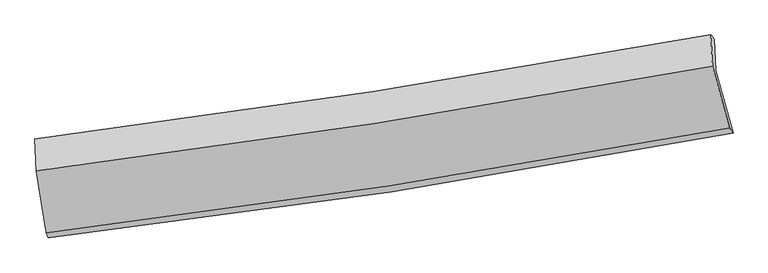
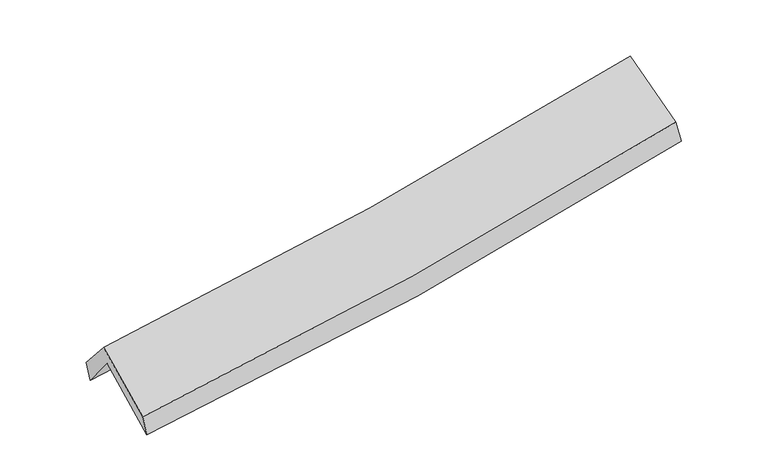
"""IFC4 building model written with IfcOpenShell, lengths in millimetres: proxy geometry."""

from ifc_helpers import new_model, si_unit, frame, origin, place, context, project, spatial, source, transform, mapped, element, save
from ifc_brep_helpers import plane_surface, spline_curve, spline_surface, advanced_brep


def generic_models_4786aa7d(model_context):
    return source(origin(), model_context, "Body", "AdvancedBrep", [
        advanced_brep(
        [(-2709.1787782, -2508.9482297, 1471.5587094), (-2791.9401679, -2003.5852794, 1913.5400523), (2727.905879, -1145.7133957, 2382.6132877), (2869.9495808, -1651.7817177, 1957.0082117), (-2804.113243, -1737.3698312, 1587.8350279), (2715.3109723, -889.2595015, 2076.4796922), (-2817.3176619, -1702.1259088, 1750.7671045), (2689.2155093, -852.0589678, 2245.311841), (-2804.6567767, -1962.5371417, 2055.9831814), (2702.3073054, -1106.3038967, 2543.48932), (-2723.1897246, -2466.5647665, 1634.2884592), (2842.6016439, -1613.9529989, 2135.8244785)],
        [
            (0, 1),
            (1, 2, spline_curve(3, [(-2791.9401679, -2003.5852794, 1913.5400523), (-1867.501013176, -1886.846675443, 1958.600728051), (-946.395349762, -1757.191648192, 2020.086547271), (893.585639421, -1471.359535323, 2176.285105649), (1812.42865856, -1315.057268082, 2271.15703143), (2727.905879, -1145.7133957, 2382.6132877)], [4, 2, 4], [0.0, 9.225516865472937, 18.49563124437283])),
            (2, 3),
            (3, 0, spline_curve(3, [(2869.9495808, -1651.7817177, 1957.0082117), (1946.188973951, -1830.275947561, 1845.868414886), (1018.250202462, -1991.083296998, 1749.783059211), (-841.499355125, -2276.63569797, 1588.111060319), (-1773.270036843, -2401.550519075, 1522.379915353), (-2709.1787782, -2508.9482297, 1471.5587094)], [4, 2, 4], [0.0, 9.270114378899894, 18.49563124437283])),
            (1, 4),
            (4, 5, spline_curve(3, [(-2804.113243, -1737.3698312, 1587.8350279), (-1879.848728349, -1623.34996921, 1640.139596196), (-958.865578918, -1495.867135207, 1706.879191699), (880.974294512, -1213.294170715, 1869.620847237), (1799.799217229, -1058.073561388, 1965.762806477), (2715.3109723, -889.2595015, 2076.4796922)], [4, 2, 4], [0.0, 9.176096883333706, 18.39655237658911])),
            (5, 2),
            (4, 6),
            (6, 7, spline_curve(3, [(-2817.3176619, -1702.1259088, 1750.7671045), (-1895.582444575, -1586.473245742, 1806.408759927), (-976.936072844, -1458.009776984, 1875.310226869), (858.604920181, -1174.778287874, 2040.029962704), (1775.469605578, -1019.886109518, 2135.976741541), (2689.2155093, -852.0589678, 2245.311841)], [4, 2, 4], [0.0, 9.16590461365675, 18.37611856629565])),
            (7, 5),
            (6, 8),
            (8, 9, spline_curve(3, [(-2804.6567767, -1962.5371417, 2055.9831814), (-1882.725135644, -1848.159184507, 2113.144972679), (-963.944578818, -1719.823222319, 2182.224615235), (871.740654554, -1434.547416789, 2344.611157836), (1788.614791813, -1277.472297495, 2438.033561224), (2702.3073054, -1106.3038967, 2543.48932)], [4, 2, 4], [0.0, 9.156599581958684, 18.357463520999627])),
            (9, 7),
            (8, 10),
            (10, 11, spline_curve(3, [(-2723.1897246, -2466.5647665, 1634.2884592), (-1790.328617239, -2353.569721062, 1686.675183773), (-861.191489263, -2226.227218268, 1754.525061514), (994.108391937, -1942.162346298, 1921.553870803), (1920.235053488, -1785.30092693, 2020.882666267), (2842.6016439, -1613.9529989, 2135.8244785)], [4, 2, 4], [0.0, 9.205495276221553, 18.455491278545466])),
            (11, 9),
            (10, 0),
            (3, 11),
        ],
        [
            spline_surface(3, 3, [[(-2709.1787782, -2508.9482297, 1471.5587094), (-1773.270036853, -2401.550519072, 1522.379915494), (-841.499355182, -2276.635697829, 1588.111060455), (1018.250202519, -1991.08329714, 1749.783059075), (1946.188973819, -1830.275947693, 1845.868414913), (2869.9495808, -1651.7817177, 1957.0082117)], [(-2736.765908078, -2340.49391293, 1618.885823681), (-1804.680362233, -2229.982571233, 1667.786853032), (-876.464686768, -2103.487681309, 1732.1028894), (976.695348155, -1817.842043216, 1891.950407864), (1901.602202083, -1658.536387819, 1987.631287091), (2822.601680189, -1483.092277036, 2098.876570368)], [(-2764.353038022, -2172.03959617, 1766.212938019), (-1836.090687678, -2058.414623403, 1813.193790628), (-911.430018268, -1930.339664728, 1876.094718438), (935.140493877, -1644.600789231, 2034.117756747), (1857.015430381, -1486.796827935, 2129.394159266), (2775.253779611, -1314.402836364, 2240.744929032)], [(-2791.9401679, -2003.5852794, 1913.5400523), (-1867.501013058, -1886.846675564, 1958.600728166), (-946.395349853, -1757.191648208, 2020.086547383), (893.585639513, -1471.359535306, 2176.285105536), (1812.428658644, -1315.057268061, 2271.157031444), (2727.905879, -1145.7133957, 2382.6132877)]], [4, 4], [4, 2, 4], [0.0, 2.24297209720393], [0.0, 9.225516865472937, 18.49563124437283]),
            spline_surface(3, 3, [[(-2791.9401679, -2003.5852794, 1913.5400523), (-1867.501013058, -1886.846675564, 1958.600728166), (-946.395349853, -1757.191648208, 2020.086547383), (893.585639513, -1471.359535306, 2176.285105536), (1812.428658644, -1315.057268061, 2271.157031444), (2727.905879, -1145.7133957, 2382.6132877)], [(-2795.997859606, -1914.846796679, 1804.97171085), (-1871.616918121, -1799.014440133, 1852.447017566), (-950.552092882, -1670.083477227, 1915.684095554), (889.381857911, -1385.33774708, 2074.063686095), (1808.218844832, -1229.396032485, 2169.358956439), (2723.707576765, -1060.22876428, 2280.568755874)], [(-2800.055551294, -1826.108313921, 1696.40336935), (-1875.732823167, -1711.182204664, 1746.293306916), (-954.708835997, -1582.97530626, 1811.281643639), (885.178076223, -1299.315958869, 1971.842266567), (1804.009031026, -1143.73479697, 2067.560881414), (2719.509274535, -974.74413292, 2178.524224026)], [(-2804.113243, -1737.3698312, 1587.8350279), (-1879.84872823, -1623.349969234, 1640.139596316), (-958.865579026, -1495.867135279, 1706.87919181), (880.974294621, -1213.294170643, 1869.620847126), (1799.799217213, -1058.073561395, 1965.76280641), (2715.3109723, -889.2595015, 2076.4796922)]], [4, 4], [4, 2, 4], [0.0, 1.3272005556413586], [0.0, 9.176096883333706, 18.39655237658911]),
            spline_surface(3, 3, [[(-2804.113243, -1737.3698312, 1587.8350279), (-1879.84872823, -1623.349969234, 1640.139596316), (-958.865579026, -1495.867135279, 1706.87919181), (880.974294621, -1213.294170643, 1869.620847126), (1799.799217213, -1058.073561395, 1965.76280641), (2715.3109723, -889.2595015, 2076.4796922)], [(-2808.514715981, -1725.621857052, 1642.145720086), (-1885.093300382, -1611.057728016, 1695.562650883), (-964.889077003, -1483.248015823, 1763.022870144), (873.517836469, -1200.455543081, 1926.423885643), (1791.689346657, -1045.344410826, 2022.500784744), (2706.612484634, -876.859323614, 2132.757075137)], [(-2812.916188919, -1713.873882948, 1696.456412314), (-1890.337872492, -1598.765486844, 1750.985705493), (-970.912574915, -1470.628896361, 1819.16654852), (866.061378382, -1187.616915514, 1983.226924202), (1783.5794761, -1032.615260215, 2079.238763067), (2697.913996966, -864.459145686, 2189.034458063)], [(-2817.3176619, -1702.1259088, 1750.7671045), (-1895.582444645, -1586.473245627, 1806.408760061), (-976.936072892, -1458.009776905, 1875.310226854), (858.60492023, -1174.778287953, 2040.029962719), (1775.469605544, -1019.886109646, 2135.976741402), (2689.2155093, -852.0589678, 2245.311841)]], [4, 4], [4, 2, 4], [0.0, 0.5736534659785771], [0.0, 9.16590461365675, 18.37611856629565]),
            spline_surface(3, 3, [[(-2817.3176619, -1702.1259088, 1750.7671045), (-1895.582444645, -1586.473245627, 1806.408760061), (-976.936072892, -1458.009776905, 1875.310226854), (858.60492023, -1174.778287953, 2040.029962719), (1775.469605544, -1019.886109646, 2135.976741402), (2689.2155093, -852.0589678, 2245.311841)], [(-2813.097366835, -1788.929653124, 1852.505796815), (-1891.296674953, -1673.701891982, 1908.654164251), (-972.605574857, -1545.280925355, 1977.615023016), (862.98349832, -1261.367997597, 2141.557027713), (1779.85133428, -1105.748172301, 2236.662347981), (2693.579441332, -936.807277434, 2344.704333986)], [(-2808.877071765, -1875.733397376, 1954.244489085), (-1887.010905256, -1760.930538266, 2010.899568398), (-968.275076811, -1632.552073788, 2079.919819193), (867.36207642, -1347.957707226, 2243.084092722), (1784.23306302, -1191.610234952, 2337.347954603), (2697.943373368, -1021.555587066, 2444.096827014)], [(-2804.6567767, -1962.5371417, 2055.9831814), (-1882.725135564, -1848.159184621, 2113.144972589), (-963.944578775, -1719.823222237, 2182.224615355), (871.740654511, -1434.547416871, 2344.611157715), (1788.614791756, -1277.472297607, 2438.033561183), (2702.3073054, -1106.3038967, 2543.48932)]], [4, 4], [4, 2, 4], [0.0, 1.3191197637058858], [0.0, 9.156599581958684, 18.357463520999627]),
            spline_surface(3, 3, [[(-2804.6567767, -1962.5371417, 2055.9831814), (-1882.725135564, -1848.159184621, 2113.144972589), (-963.944578775, -1719.823222237, 2182.224615355), (871.740654511, -1434.547416871, 2344.611157715), (1788.614791756, -1277.472297607, 2438.033561183), (2702.3073054, -1106.3038967, 2543.48932)], [(-2777.501092651, -2130.546349974, 1915.418274004), (-1851.926296073, -2016.629363482, 1970.988376294), (-929.693548894, -1888.6245542, 2039.658097393), (912.529900314, -1603.752393356, 2203.5920621), (1832.488212319, -1446.748507363, 2298.983262872), (2749.072084903, -1275.520264096, 2407.60103952)], [(-2750.345408649, -2298.555558226, 1774.853366596), (-1821.127456628, -2185.099542321, 1828.831779986), (-895.44251907, -2057.425886221, 1897.091579421), (953.319146058, -1772.957369898, 2062.572966475), (1876.361632873, -1616.024717131, 2159.932964502), (2795.836864397, -1444.736631504, 2271.71275898)], [(-2723.1897246, -2466.5647665, 1634.2884592), (-1790.328617137, -2353.569721182, 1686.67518369), (-861.191489188, -2226.227218184, 1754.525061459), (994.108391861, -1942.162346383, 1921.553870859), (1920.235053437, -1785.300926888, 2020.882666192), (2842.6016439, -1613.9529989, 2135.8244785)]], [4, 4], [4, 2, 4], [0.0, 2.2025147592464647], [0.0, 9.205495276221553, 18.455491278545466]),
            spline_surface(3, 3, [[(-2723.1897246, -2466.5647665, 1634.2884592), (-1790.328617137, -2353.569721182, 1686.67518369), (-861.191489188, -2226.227218184, 1754.525061459), (994.108391861, -1942.162346383, 1921.553870859), (1920.235053437, -1785.300926888, 2020.882666192), (2842.6016439, -1613.9529989, 2135.8244785)], [(-2718.519409149, -2480.692587541, 1580.045209265), (-1784.642423725, -2369.563320453, 1631.91009429), (-854.627444513, -2243.030044729, 1699.053727809), (1002.155662087, -1958.469329965, 1864.296933616), (1928.886360242, -1800.292600495, 1962.544582415), (2851.717622878, -1626.562571839, 2076.219056216)], [(-2713.849093651, -2494.820408659, 1525.801959335), (-1778.956230265, -2385.556919802, 1577.145004895), (-848.063399857, -2259.832871284, 1643.582394105), (1010.202932294, -1974.776313557, 1807.039996318), (1937.537667014, -1815.284274085, 1904.20649869), (2860.833601822, -1639.172144761, 2016.613633984)], [(-2709.1787782, -2508.9482297, 1471.5587094), (-1773.270036853, -2401.550519072, 1522.379915494), (-841.499355182, -2276.635697829, 1588.111060455), (1018.250202519, -1991.08329714, 1749.783059075), (1946.188973819, -1830.275947693, 1845.868414913), (2869.9495808, -1651.7817177, 1957.0082117)]], [4, 4], [4, 2, 4], [0.0, 0.5826947096087373], [0.0, 9.26420855644454, 18.573201667674564]),
            plane_surface(frame((2757.8818151, -1209.8450797, 2223.4544719), z_axis=(0.9772200471451195, 0.18075379301435332, 0.11121621180661918), x_axis=(0.2106462865623126, -0.7622146366612133, -0.6120923048176008))),
            plane_surface(frame((-2775.0660587, -2063.5218595, 1735.6620891), z_axis=(-0.9919534040210972, -0.11363886215686915, -0.055809078640040054), x_axis=(-0.08303209684287488, 0.2511741695424398, 0.9643739977044908))),
        ],
        [
            (0, [[1, 2, 3, 4]]),
            (1, [[5, 6, 7, -2]]),
            (2, [[8, 9, 10, -6]]),
            (3, [[11, 12, 13, -9]]),
            (4, [[14, 15, 16, -12]]),
            (5, [[17, -4, 18, -15]]),
            (6, [[-16, -18, -3, -7, -10, -13]]),
            (7, [[-17, -14, -11, -8, -5, -1]]),
        ],
    ),
    ])


if __name__ == "__main__":
    model = new_model("IFC4")
    model_context = context("Model", 3, world=origin())
    ifc_project = project(units=[si_unit("LENGTHUNIT", "METRE", prefix="MILLI")], contexts=[model_context])
    site = spatial("IfcSite", under=ifc_project)
    building = spatial("IfcBuilding", under=site)
    placement = place(None, origin())
    generic_models_shape = generic_models_4786aa7d(model_context)
    element("IfcBuildingElementProxy", 1, Name="Generic Models", at=placement, inside=building, context=model_context, shape_type="MappedRepresentation", body=[
        mapped(generic_models_shape, transform((0.0, 0.0, 0.0), x_axis=(1.0, 0.0, 0.0), y_axis=(0.0, 1.0, 0.0), z_axis=(0.0, 0.0, 1.0))),
    ])
    save(model, "model.ifc")
